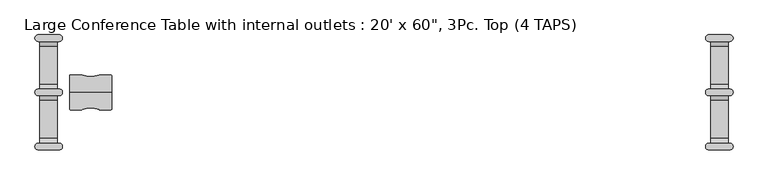
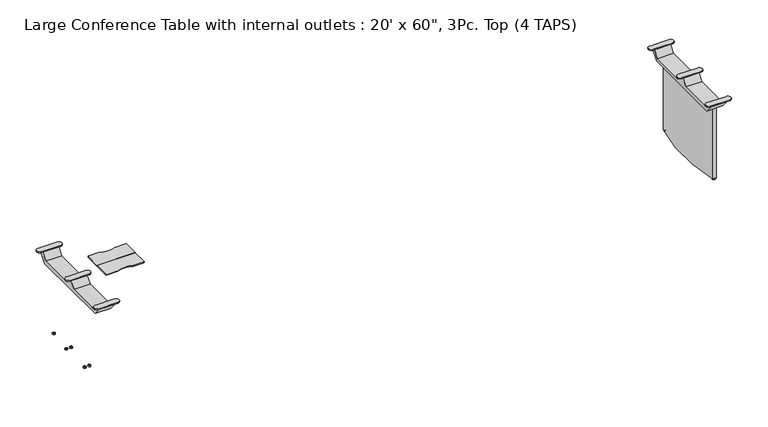
"""IFC4 building model written with IfcOpenShell, lengths in millimetres: furniture geometry."""

from ifc_helpers import new_model, si_unit, point, frame, frame_2d, origin, place, context, project, spatial, polyline, circle_curve, trimmed, segment, composite_curve, outline, extrude, source, transform, mapped, element, save
from ifc_brep_helpers import plane_surface, cylinder_surface, advanced_brep


def furniture_ed6dbdb6(model_context):
    return source(origin(), model_context, "Body", "SolidModel", [
        extrude(outline(composite_curve([segment(polyline([(-2286.0, 1.5875), (-2286.0, 120.65)]), True, "CONTINUOUS"), segment(trimmed(circle_curve(frame_2d((-2279.65, 120.65)), 6.35), [point((-2286.0, 120.65))], [point((-2279.65, 127.0))], False, "CARTESIAN"), True, "CONTINUOUS"), segment(polyline([(-2279.65, 127.0), (-2198.3575478, 127.0)]), True, "CONTINUOUS"), segment(trimmed(circle_curve(frame_2d((-2198.3575478, 120.65)), 6.35), [point((-2198.3575478, 127.0))], [point((-2195.9591201, 126.5296296))], False, "CARTESIAN"), True, "CONTINUOUS"), segment(trimmed(circle_curve(frame_2d((-2133.6, 279.4)), 165.1), [point((-2195.9591201, 126.5296296))], [point((-2071.2408799, 126.5296296))], True, "CARTESIAN"), True, "CONTINUOUS"), segment(trimmed(circle_curve(frame_2d((-2068.8424522, 120.65)), 6.35), [point((-2071.2408799, 126.5296296))], [point((-2068.8424522, 127.0))], False, "CARTESIAN"), True, "CONTINUOUS"), segment(polyline([(-2068.8424522, 127.0), (-1987.55, 127.0)]), True, "CONTINUOUS"), segment(trimmed(circle_curve(frame_2d((-1987.55, 120.65)), 6.35), [point((-1987.55, 127.0))], [point((-1981.2, 120.65))], False, "CARTESIAN"), True, "CONTINUOUS"), segment(polyline([(-1981.2, 120.65), (-1981.2, 1.5875), (-2286.0, 1.5875)]), True, "CONTINUOUS")], self_intersect=False)), frame((0.0, 0.0, 717.55), z_axis=(0.0, 0.0, 1.0), x_axis=(1.0, 0.0, 0.0)), (0.0, 0.0, 1.0), 6.35),
        extrude(outline(composite_curve([segment(polyline([(-2198.3575478, -127.0), (-2279.65, -127.0)]), True, "CONTINUOUS"), segment(trimmed(circle_curve(frame_2d((-2279.65, -120.65)), 6.35), [point((-2279.65, -127.0))], [point((-2286.0, -120.65))], False, "CARTESIAN"), True, "CONTINUOUS"), segment(polyline([(-2286.0, -120.65), (-2286.0, -1.5875), (-1981.2, -1.5875), (-1981.2, -120.65)]), True, "CONTINUOUS"), segment(trimmed(circle_curve(frame_2d((-1987.55, -120.65)), 6.35), [point((-1981.2, -120.65))], [point((-1987.55, -127.0))], False, "CARTESIAN"), True, "CONTINUOUS"), segment(polyline([(-1987.55, -127.0), (-2068.8424522, -127.0)]), True, "CONTINUOUS"), segment(trimmed(circle_curve(frame_2d((-2068.8424522, -120.65)), 6.35), [point((-2068.8424522, -127.0))], [point((-2071.2408799, -126.5296296))], False, "CARTESIAN"), True, "CONTINUOUS"), segment(trimmed(circle_curve(frame_2d((-2133.6, -279.4)), 165.1), [point((-2071.2408799, -126.5296296))], [point((-2195.9591201, -126.5296296))], True, "CARTESIAN"), True, "CONTINUOUS"), segment(trimmed(circle_curve(frame_2d((-2198.3575478, -120.65)), 6.35), [point((-2195.9591201, -126.5296296))], [point((-2198.3575478, -127.0))], False, "CARTESIAN"), True, "CONTINUOUS")], self_intersect=False)), frame((0.0, 0.0, 717.55), z_axis=(0.0, 0.0, 1.0), x_axis=(1.0, 0.0, 0.0)), (0.0, 0.0, 1.0), 6.35),
        advanced_brep(
        [(2501.8999939, 377.4971366, 685.8), (2501.8999939, 334.1229042, 632.231419), (2501.8999939, 58.0644064, 632.231419), (2501.8999939, 14.690174, 685.8), (2501.8999939, -14.690174, 685.8), (2501.8999939, -58.0644064, 632.231419), (2501.8999939, -334.1229042, 632.231419), (2501.8999939, -377.4971366, 685.8), (2501.8999939, -413.041021, 685.8), (2501.8999939, -346.0750202, 603.6564), (2501.8999939, 346.0750202, 603.6564), (2501.8999939, 413.041021, 685.8), (2374.9000061, 413.041021, 685.8), (2374.9000061, 346.0750202, 603.6564), (2374.9000061, -346.0750202, 603.6564), (2374.9000061, -413.041021, 685.8), (2374.9000061, -377.4971366, 685.8), (2374.9000061, -334.1229042, 632.231419), (2374.9000061, -58.0644064, 632.231419), (2374.9000061, -14.690174, 685.8), (2374.9000061, 14.690174, 685.8), (2374.9000061, 58.0644064, 632.231419), (2374.9000061, 334.1229042, 632.231419), (2374.9000061, 377.4971366, 685.8), (2362.2000061, 371.1471366, 692.15), (2514.5999939, 371.1471366, 692.15), (2514.5999939, 419.391021, 692.15), (2362.2000061, 419.391021, 692.15), (2362.2000061, 371.1471366, 685.8), (2362.2000061, 419.391021, 685.8), (2514.5999939, 419.391021, 685.8), (2514.5999939, 371.1471366, 685.8), (2362.2000061, 24.1219422, 692.15), (2362.2000061, -24.1219422, 692.15), (2514.5999939, -24.1219422, 692.15), (2514.5999939, 24.1219422, 692.15), (2362.2000061, 24.1219422, 685.8), (2514.5999939, 24.1219422, 685.8), (2514.5999939, -24.1219422, 685.8), (2362.2000061, -24.1219422, 685.8), (2362.2000061, -371.1471366, 692.15), (2362.2000061, -419.391021, 692.15), (2514.5999939, -419.391021, 692.15), (2514.5999939, -371.1471366, 692.15), (2362.2000061, -371.1471366, 685.8), (2514.5999939, -371.1471366, 685.8), (2514.5999939, -419.391021, 685.8), (2362.2000061, -419.391021, 685.8)],
        [
            (0, 1),
            (1, 2),
            (2, 3),
            (3, 4),
            (4, 5),
            (5, 6),
            (6, 7),
            (7, 8),
            (8, 9),
            (9, 10),
            (10, 11),
            (11, 0),
            (12, 13),
            (13, 14),
            (14, 15),
            (15, 16),
            (16, 17),
            (17, 18),
            (18, 19),
            (19, 20),
            (20, 21),
            (21, 22),
            (22, 23),
            (23, 12),
            (0, 23),
            (22, 1),
            (21, 2),
            (20, 3),
            (4, 19),
            (18, 5),
            (17, 6),
            (16, 7),
            (8, 15),
            (14, 9),
            (13, 10),
            (12, 11),
            (24, 25),
            (25, 26, circle_curve(frame((2514.5999939, 395.2690788, 692.15), z_axis=(0.0, 0.0, 1.0), x_axis=(1.0, 0.0, 0.0)), 24.1219422)),
            (26, 27),
            (27, 24, circle_curve(frame((2362.2000061, 395.2690788, 692.15), z_axis=(0.0, 0.0, 1.0), x_axis=(1.0, 0.0, 0.0)), 24.1219422)),
            (28, 29, circle_curve(frame((2362.2000061, 395.2690788, 685.8), z_axis=(0.0, 0.0, -1.0), x_axis=(1.0, 0.0, 0.0)), 24.1219422)),
            (29, 30),
            (30, 31, circle_curve(frame((2514.5999939, 395.2690788, 685.8), z_axis=(0.0, 0.0, -1.0), x_axis=(1.0, 0.0, 0.0)), 24.1219422)),
            (31, 28),
            (24, 28),
            (31, 25),
            (30, 26),
            (29, 27),
            (32, 33, circle_curve(frame((2362.2000061, 0.0, 692.15), z_axis=(0.0, 0.0, 1.0), x_axis=(1.0, 0.0, 0.0)), 24.1219422)),
            (33, 34),
            (34, 35, circle_curve(frame((2514.5999939, 0.0, 692.15), z_axis=(0.0, 0.0, 1.0), x_axis=(1.0, 0.0, 0.0)), 24.1219422)),
            (35, 32),
            (36, 37),
            (37, 38, circle_curve(frame((2514.5999939, 0.0, 685.8), z_axis=(0.0, 0.0, -1.0), x_axis=(1.0, 0.0, 0.0)), 24.1219422)),
            (38, 39),
            (39, 36, circle_curve(frame((2362.2000061, 0.0, 685.8), z_axis=(0.0, 0.0, -1.0), x_axis=(1.0, 0.0, 0.0)), 24.1219422)),
            (32, 36),
            (39, 33),
            (38, 34),
            (37, 35),
            (40, 41, circle_curve(frame((2362.2000061, -395.2690788, 692.15), z_axis=(0.0, 0.0, 1.0), x_axis=(1.0, 0.0, 0.0)), 24.1219422)),
            (41, 42),
            (42, 43, circle_curve(frame((2514.5999939, -395.2690788, 692.15), z_axis=(0.0, 0.0, 1.0), x_axis=(1.0, 0.0, 0.0)), 24.1219422)),
            (43, 40),
            (44, 45),
            (45, 46, circle_curve(frame((2514.5999939, -395.2690788, 685.8), z_axis=(0.0, 0.0, -1.0), x_axis=(1.0, 0.0, 0.0)), 24.1219422)),
            (46, 47),
            (47, 44, circle_curve(frame((2362.2000061, -395.2690788, 685.8), z_axis=(0.0, 0.0, -1.0), x_axis=(1.0, 0.0, 0.0)), 24.1219422)),
            (40, 44),
            (47, 41),
            (46, 42),
            (45, 43),
        ],
        [
            plane_surface(frame((2501.8999939, 413.041021, 685.8), z_axis=(1.0, 0.0, 0.0), x_axis=(0.0, -1.0, 0.0))),
            plane_surface(frame((2374.9000061, 413.041021, 685.8), z_axis=(-1.0, 0.0, 0.0), x_axis=(0.0, 1.0, 0.0))),
            plane_surface(frame((2501.8999939, 377.4971366, 685.8), z_axis=(0.0, -0.7771796582418651, 0.6292787767079531), x_axis=(-1.0, 0.0, 0.0))),
            plane_surface(frame((2501.8999939, 334.1229042, 632.231419), z_axis=(0.0, 0.0, 1.0), x_axis=(-1.0, 0.0, 0.0))),
            plane_surface(frame((2501.8999939, 58.0644064, 632.231419), z_axis=(0.0, 0.7771796582418641, 0.6292787767079544), x_axis=(-1.0, 0.0, 0.0))),
            plane_surface(frame((2501.8999939, -14.690174, 685.8), z_axis=(0.0, -0.7771796582418647, 0.6292787767079535), x_axis=(-1.0, 0.0, 0.0))),
            plane_surface(frame((2501.8999939, -58.0644064, 632.231419), z_axis=(0.0, 0.0, 1.0), x_axis=(-1.0, 0.0, 0.0))),
            plane_surface(frame((2501.8999939, -334.1229042, 632.231419), z_axis=(0.0, 0.7771796582418651, 0.6292787767079531), x_axis=(-1.0, 0.0, 0.0))),
            plane_surface(frame((2501.8999939, -413.041021, 685.8), z_axis=(0.0, -0.7750770363464348, -0.6318667483959157), x_axis=(-1.0, 0.0, 0.0))),
            plane_surface(frame((2501.8999939, -346.0750202, 603.6564), z_axis=(0.0, 0.0, -1.0), x_axis=(-1.0, 0.0, 0.0))),
            plane_surface(frame((2501.8999939, 346.0750202, 603.6564), z_axis=(0.0, 0.7750770363464435, -0.631866748395905), x_axis=(-1.0, 0.0, 0.0))),
            plane_surface(frame((2496.1020398, 371.1471366, 692.15), z_axis=(0.0, 0.0, 1.0), x_axis=(1.0, 0.0, 0.0))),
            plane_surface(frame((2496.1020398, 371.1471366, 685.8), z_axis=(0.0, 0.0, -1.0), x_axis=(-1.0, 0.0, 0.0))),
            plane_surface(frame((2362.2000061, 371.1471366, 692.15), z_axis=(0.0, -1.0, 0.0), x_axis=(0.0, 0.0, -1.0))),
            cylinder_surface(frame((2514.5999939, 395.2690788, 685.8), z_axis=(0.0, 0.0, 1.0), x_axis=(1.0, 0.0, 0.0)), 24.1219422),
            plane_surface(frame((2514.5999939, 419.391021, 692.15), z_axis=(0.0, 1.0, 0.0), x_axis=(0.0, 0.0, -1.0))),
            cylinder_surface(frame((2362.2000061, 395.2690788, 685.8), z_axis=(0.0, 0.0, 1.0), x_axis=(1.0, 0.0, 0.0)), 24.1219422),
            plane_surface(frame((2386.3219483, 0.0, 692.15), z_axis=(0.0, 0.0, 1.0), x_axis=(0.0, 1.0, 0.0))),
            plane_surface(frame((2386.3219483, 0.0, 685.8), z_axis=(0.0, 0.0, -1.0), x_axis=(0.0, -1.0, 0.0))),
            cylinder_surface(frame((2362.2000061, 0.0, 685.8), z_axis=(0.0, 0.0, 1.0), x_axis=(1.0, 0.0, 0.0)), 24.1219422),
            plane_surface(frame((2362.2000061, -24.1219422, 692.15), z_axis=(0.0, -1.0, 0.0), x_axis=(0.0, 0.0, -1.0))),
            cylinder_surface(frame((2514.5999939, 0.0, 685.8), z_axis=(0.0, 0.0, 1.0), x_axis=(1.0, 0.0, 0.0)), 24.1219422),
            plane_surface(frame((2514.5999939, 24.1219422, 692.15), z_axis=(0.0, 1.0, 0.0), x_axis=(0.0, 0.0, -1.0))),
            plane_surface(frame((2386.3219483, -395.2690788, 692.15), z_axis=(0.0, 0.0, 1.0), x_axis=(0.0, 1.0, 0.0))),
            plane_surface(frame((2386.3219483, -395.2690788, 685.8), z_axis=(0.0, 0.0, -1.0), x_axis=(0.0, -1.0, 0.0))),
            cylinder_surface(frame((2362.2000061, -395.2690788, 685.8), z_axis=(0.0, 0.0, 1.0), x_axis=(1.0, 0.0, 0.0)), 24.1219422),
            plane_surface(frame((2362.2000061, -419.391021, 692.15), z_axis=(0.0, -1.0, 0.0), x_axis=(0.0, 0.0, -1.0))),
            cylinder_surface(frame((2514.5999939, -395.2690788, 685.8), z_axis=(0.0, 0.0, 1.0), x_axis=(1.0, 0.0, 0.0)), 24.1219422),
            plane_surface(frame((2514.5999939, -371.1471366, 692.15), z_axis=(0.0, 1.0, 0.0), x_axis=(0.0, 0.0, -1.0))),
        ],
        [
            (0, [[1, 2, 3, 4, 5, 6, 7, 8, 9, 10, 11, 12]]),
            (1, [[13, 14, 15, 16, 17, 18, 19, 20, 21, 22, 23, 24]]),
            (2, [[-1, 25, -23, 26]]),
            (3, [[-2, -26, -22, 27]]),
            (4, [[-3, -27, -21, 28]]),
            (5, [[-5, 29, -19, 30]]),
            (6, [[-6, -30, -18, 31]]),
            (7, [[-7, -31, -17, 32]]),
            (8, [[-9, 33, -15, 34]]),
            (9, [[-10, -34, -14, 35]]),
            (10, [[-11, -35, -13, 36]]),
            (11, [[37, 38, 39, 40]]),
            (12, [[41, 42, 43, 44], [-12, -36, -24, -25]]),
            (13, [[-37, 45, -44, 46]]),
            (14, [[-38, -46, -43, 47]]),
            (15, [[-39, -47, -42, 48]]),
            (16, [[-40, -48, -41, -45]]),
            (17, [[49, 50, 51, 52]]),
            (18, [[53, 54, 55, 56], [-4, -28, -20, -29]]),
            (19, [[-49, 57, -56, 58]]),
            (20, [[-50, -58, -55, 59]]),
            (21, [[-51, -59, -54, 60]]),
            (22, [[-52, -60, -53, -57]]),
            (23, [[61, 62, 63, 64]]),
            (24, [[65, 66, 67, 68], [-8, -32, -16, -33]]),
            (25, [[-61, 69, -68, 70]]),
            (26, [[-62, -70, -67, 71]]),
            (27, [[-63, -71, -66, 72]]),
            (28, [[-64, -72, -65, -69]]),
        ],
    ),
        advanced_brep(
        [(2419.35, -127.0, 0.0), (2419.35, -137.31875, 0.0), (2419.35, -116.68125, 0.0), (2419.35, -123.03125, 9.525), (2419.35, -130.96875, 9.525), (2419.35, -127.0, 9.525), (2419.35, -123.03125, 6.35), (2419.35, -130.96875, 6.35), (2419.35, -116.68125, 6.35), (2419.35, -137.31875, 6.35)],
        [
            (0, 1),
            (1, 2, circle_curve(frame((2419.35, -127.0, 0.0), z_axis=(0.0, 0.0, -1.0), x_axis=(0.0, -1.0, 0.0)), 10.31875)),
            (2, 0),
            (2, 1, circle_curve(frame((2419.35, -127.0, 0.0), z_axis=(0.0, 0.0, -1.0), x_axis=(0.0, -1.0, 0.0)), 10.31875)),
            (3, 4, circle_curve(frame((2419.35, -127.0, 9.525), z_axis=(0.0, 0.0, 1.0), x_axis=(0.0, -1.0, 0.0)), 3.96875)),
            (4, 5),
            (5, 3),
            (4, 3, circle_curve(frame((2419.35, -127.0, 9.525), z_axis=(0.0, 0.0, 1.0), x_axis=(0.0, -1.0, 0.0)), 3.96875)),
            (6, 7, circle_curve(frame((2419.35, -127.0, 6.35), z_axis=(0.0, 0.0, 1.0), x_axis=(0.0, -1.0, 0.0)), 3.96875)),
            (7, 4),
            (3, 6),
            (7, 6, circle_curve(frame((2419.35, -127.0, 6.35), z_axis=(0.0, 0.0, 1.0), x_axis=(0.0, -1.0, 0.0)), 3.96875)),
            (8, 9, circle_curve(frame((2419.35, -127.0, 6.35), z_axis=(0.0, 0.0, 1.0), x_axis=(0.0, -1.0, 0.0)), 10.31875)),
            (9, 7),
            (6, 8),
            (9, 8, circle_curve(frame((2419.35, -127.0, 6.35), z_axis=(0.0, 0.0, 1.0), x_axis=(0.0, -1.0, 0.0)), 10.31875)),
            (1, 9),
            (8, 2),
        ],
        [
            plane_surface(frame((2419.35, -127.0, 0.0), z_axis=(0.0, 0.0, -1.0), x_axis=(0.0, -1.0, 0.0))),
            plane_surface(frame((2419.35, -127.0, 9.525), z_axis=(0.0, 0.0, 1.0), x_axis=(0.0, -1.0, 0.0))),
            cylinder_surface(frame((2419.35, -127.0, 2435.225), z_axis=(0.0, 0.0, -1.0), x_axis=(0.0, -1.0, 0.0)), 3.96875),
            plane_surface(frame((2419.35, -127.0, 6.35), z_axis=(0.0, 0.0, 1.0), x_axis=(0.0, -1.0, 0.0))),
            cylinder_surface(frame((2419.35, -127.0, 2435.225), z_axis=(0.0, 0.0, -1.0), x_axis=(0.0, -1.0, 0.0)), 10.31875),
        ],
        [
            (0, [[1, 2, 3]]),
            (0, [[-3, 4, -1]]),
            (1, [[5, 6, 7]]),
            (1, [[8, -7, -6]]),
            (2, [[9, 10, -5, 11]]),
            (2, [[12, -11, -8, -10]]),
            (3, [[13, 14, -9, 15]]),
            (3, [[16, -15, -12, -14]]),
            (4, [[-2, 17, -13, 18]]),
            (4, [[-4, -18, -16, -17]]),
        ],
    ),
        advanced_brep(
        [(2419.35, 127.0, 0.0), (2419.35, 116.68125, 0.0), (2419.35, 137.31875, 0.0), (2419.35, 130.96875, 9.525), (2419.35, 123.03125, 9.525), (2419.35, 127.0, 9.525), (2419.35, 130.96875, 6.35), (2419.35, 123.03125, 6.35), (2419.35, 137.31875, 6.35), (2419.35, 116.68125, 6.35)],
        [
            (0, 1),
            (1, 2, circle_curve(frame((2419.35, 127.0, 0.0), z_axis=(0.0, 0.0, -1.0), x_axis=(0.0, -1.0, 0.0)), 10.31875)),
            (2, 0),
            (2, 1, circle_curve(frame((2419.35, 127.0, 0.0), z_axis=(0.0, 0.0, -1.0), x_axis=(0.0, -1.0, 0.0)), 10.31875)),
            (3, 4, circle_curve(frame((2419.35, 127.0, 9.525), z_axis=(0.0, 0.0, 1.0), x_axis=(0.0, -1.0, 0.0)), 3.96875)),
            (4, 5),
            (5, 3),
            (4, 3, circle_curve(frame((2419.35, 127.0, 9.525), z_axis=(0.0, 0.0, 1.0), x_axis=(0.0, -1.0, 0.0)), 3.96875)),
            (6, 7, circle_curve(frame((2419.35, 127.0, 6.35), z_axis=(0.0, 0.0, 1.0), x_axis=(0.0, -1.0, 0.0)), 3.96875)),
            (7, 4),
            (3, 6),
            (7, 6, circle_curve(frame((2419.35, 127.0, 6.35), z_axis=(0.0, 0.0, 1.0), x_axis=(0.0, -1.0, 0.0)), 3.96875)),
            (8, 9, circle_curve(frame((2419.35, 127.0, 6.35), z_axis=(0.0, 0.0, 1.0), x_axis=(0.0, -1.0, 0.0)), 10.31875)),
            (9, 7),
            (6, 8),
            (9, 8, circle_curve(frame((2419.35, 127.0, 6.35), z_axis=(0.0, 0.0, 1.0), x_axis=(0.0, -1.0, 0.0)), 10.31875)),
            (1, 9),
            (8, 2),
        ],
        [
            plane_surface(frame((2419.35, 127.0, 0.0), z_axis=(0.0, 0.0, -1.0), x_axis=(0.0, -1.0, 0.0))),
            plane_surface(frame((2419.35, 127.0, 9.525), z_axis=(0.0, 0.0, 1.0), x_axis=(0.0, -1.0, 0.0))),
            cylinder_surface(frame((2419.35, 127.0, 2435.225), z_axis=(0.0, 0.0, -1.0), x_axis=(0.0, -1.0, 0.0)), 3.96875),
            plane_surface(frame((2419.35, 127.0, 6.35), z_axis=(0.0, 0.0, 1.0), x_axis=(0.0, -1.0, 0.0))),
            cylinder_surface(frame((2419.35, 127.0, 2435.225), z_axis=(0.0, 0.0, -1.0), x_axis=(0.0, -1.0, 0.0)), 10.31875),
        ],
        [
            (0, [[1, 2, 3]]),
            (0, [[-3, 4, -1]]),
            (1, [[5, 6, 7]]),
            (1, [[8, -7, -6]]),
            (2, [[9, 10, -5, 11]]),
            (2, [[12, -11, -8, -10]]),
            (3, [[13, 14, -9, 15]]),
            (3, [[16, -15, -12, -14]]),
            (4, [[-2, 17, -13, 18]]),
            (4, [[-4, -18, -16, -17]]),
        ],
    ),
        advanced_brep(
        [(2457.45, -116.68125, 6.35), (2457.45, -137.31875, 6.35), (2457.45, -137.31875, 0.0), (2457.45, -116.68125, 0.0), (2457.45, -123.03125, 6.35), (2457.45, -130.96875, 6.35), (2457.45, -123.03125, 9.525), (2457.45, -130.96875, 9.525), (2457.45, -127.0, 9.525), (2457.45, -127.0, 0.0)],
        [
            (0, 1, circle_curve(frame((2457.45, -127.0, 6.35), z_axis=(0.0, 0.0, -1.0), x_axis=(0.0, -1.0, 0.0)), 10.31875)),
            (1, 2),
            (2, 3, circle_curve(frame((2457.45, -127.0, 0.0), z_axis=(0.0, 0.0, 1.0), x_axis=(0.0, -1.0, 0.0)), 10.31875)),
            (3, 0),
            (1, 0, circle_curve(frame((2457.45, -127.0, 6.35), z_axis=(0.0, 0.0, -1.0), x_axis=(0.0, -1.0, 0.0)), 10.31875)),
            (3, 2, circle_curve(frame((2457.45, -127.0, 0.0), z_axis=(0.0, 0.0, 1.0), x_axis=(0.0, -1.0, 0.0)), 10.31875)),
            (4, 5, circle_curve(frame((2457.45, -127.0, 6.35), z_axis=(0.0, 0.0, -1.0), x_axis=(0.0, -1.0, 0.0)), 3.96875)),
            (5, 1),
            (0, 4),
            (5, 4, circle_curve(frame((2457.45, -127.0, 6.35), z_axis=(0.0, 0.0, -1.0), x_axis=(0.0, -1.0, 0.0)), 3.96875)),
            (6, 7, circle_curve(frame((2457.45, -127.0, 9.525), z_axis=(0.0, 0.0, -1.0), x_axis=(0.0, -1.0, 0.0)), 3.96875)),
            (7, 5),
            (4, 6),
            (7, 6, circle_curve(frame((2457.45, -127.0, 9.525), z_axis=(0.0, 0.0, -1.0), x_axis=(0.0, -1.0, 0.0)), 3.96875)),
            (8, 7),
            (6, 8),
            (2, 9),
            (9, 3),
        ],
        [
            cylinder_surface(frame((2457.45, -127.0, 2435.225), z_axis=(0.0, 0.0, 1.0), x_axis=(0.0, -1.0, 0.0)), 10.31875),
            plane_surface(frame((2457.45, -127.0, 6.35), z_axis=(0.0, 0.0, 1.0), x_axis=(0.0, -1.0, 0.0))),
            cylinder_surface(frame((2457.45, -127.0, 2435.225), z_axis=(0.0, 0.0, 1.0), x_axis=(0.0, -1.0, 0.0)), 3.96875),
            plane_surface(frame((2457.45, -127.0, 9.525), z_axis=(0.0, 0.0, 1.0), x_axis=(0.0, -1.0, 0.0))),
            plane_surface(frame((2457.45, -127.0, 0.0), z_axis=(0.0, 0.0, -1.0), x_axis=(0.0, -1.0, 0.0))),
        ],
        [
            (0, [[1, 2, 3, 4]]),
            (0, [[5, -4, 6, -2]]),
            (1, [[7, 8, -1, 9]]),
            (1, [[10, -9, -5, -8]]),
            (2, [[11, 12, -7, 13]]),
            (2, [[14, -13, -10, -12]]),
            (3, [[15, -11, 16]]),
            (3, [[-16, -14, -15]]),
            (4, [[-3, 17, 18]]),
            (4, [[-6, -18, -17]]),
        ],
    ),
        advanced_brep(
        [(2457.45, 137.31875, 6.35), (2457.45, 116.68125, 6.35), (2457.45, 116.68125, 0.0), (2457.45, 137.31875, 0.0), (2457.45, 130.96875, 6.35), (2457.45, 123.03125, 6.35), (2457.45, 130.96875, 9.525), (2457.45, 123.03125, 9.525), (2457.45, 127.0, 9.525), (2457.45, 127.0, 0.0)],
        [
            (0, 1, circle_curve(frame((2457.45, 127.0, 6.35), z_axis=(0.0, 0.0, -1.0), x_axis=(0.0, -1.0, 0.0)), 10.31875)),
            (1, 2),
            (2, 3, circle_curve(frame((2457.45, 127.0, 0.0), z_axis=(0.0, 0.0, 1.0), x_axis=(0.0, -1.0, 0.0)), 10.31875)),
            (3, 0),
            (1, 0, circle_curve(frame((2457.45, 127.0, 6.35), z_axis=(0.0, 0.0, -1.0), x_axis=(0.0, -1.0, 0.0)), 10.31875)),
            (3, 2, circle_curve(frame((2457.45, 127.0, 0.0), z_axis=(0.0, 0.0, 1.0), x_axis=(0.0, -1.0, 0.0)), 10.31875)),
            (4, 5, circle_curve(frame((2457.45, 127.0, 6.35), z_axis=(0.0, 0.0, -1.0), x_axis=(0.0, -1.0, 0.0)), 3.96875)),
            (5, 1),
            (0, 4),
            (5, 4, circle_curve(frame((2457.45, 127.0, 6.35), z_axis=(0.0, 0.0, -1.0), x_axis=(0.0, -1.0, 0.0)), 3.96875)),
            (6, 7, circle_curve(frame((2457.45, 127.0, 9.525), z_axis=(0.0, 0.0, -1.0), x_axis=(0.0, -1.0, 0.0)), 3.96875)),
            (7, 5),
            (4, 6),
            (7, 6, circle_curve(frame((2457.45, 127.0, 9.525), z_axis=(0.0, 0.0, -1.0), x_axis=(0.0, -1.0, 0.0)), 3.96875)),
            (8, 7),
            (6, 8),
            (2, 9),
            (9, 3),
        ],
        [
            cylinder_surface(frame((2457.45, 127.0, 2435.225), z_axis=(0.0, 0.0, 1.0), x_axis=(0.0, -1.0, 0.0)), 10.31875),
            plane_surface(frame((2457.45, 127.0, 6.35), z_axis=(0.0, 0.0, 1.0), x_axis=(0.0, -1.0, 0.0))),
            cylinder_surface(frame((2457.45, 127.0, 2435.225), z_axis=(0.0, 0.0, 1.0), x_axis=(0.0, -1.0, 0.0)), 3.96875),
            plane_surface(frame((2457.45, 127.0, 9.525), z_axis=(0.0, 0.0, 1.0), x_axis=(0.0, -1.0, 0.0))),
            plane_surface(frame((2457.45, 127.0, 0.0), z_axis=(0.0, 0.0, -1.0), x_axis=(0.0, -1.0, 0.0))),
        ],
        [
            (0, [[1, 2, 3, 4]]),
            (0, [[5, -4, 6, -2]]),
            (1, [[7, 8, -1, 9]]),
            (1, [[10, -9, -5, -8]]),
            (2, [[11, 12, -7, 13]]),
            (2, [[14, -13, -10, -12]]),
            (3, [[15, -11, 16]]),
            (3, [[-16, -14, -15]]),
            (4, [[-3, 17, 18]]),
            (4, [[-6, -18, -17]]),
        ],
    ),
        advanced_brep(
        [(2438.4, 330.2, 0.0), (2438.4, 319.88125, 0.0), (2438.4, 340.51875, 0.0), (2438.4, 334.16875, 9.525), (2438.4, 326.23125, 9.525), (2438.4, 330.2, 9.525), (2438.4, 334.16875, 6.35), (2438.4, 326.23125, 6.35), (2438.4, 340.51875, 6.35), (2438.4, 319.88125, 6.35)],
        [
            (0, 1),
            (1, 2, circle_curve(frame((2438.4, 330.2, 0.0), z_axis=(0.0, 0.0, -1.0), x_axis=(0.0, -1.0, 0.0)), 10.31875)),
            (2, 0),
            (2, 1, circle_curve(frame((2438.4, 330.2, 0.0), z_axis=(0.0, 0.0, -1.0), x_axis=(0.0, -1.0, 0.0)), 10.31875)),
            (3, 4, circle_curve(frame((2438.4, 330.2, 9.525), z_axis=(0.0, 0.0, 1.0), x_axis=(0.0, -1.0, 0.0)), 3.96875)),
            (4, 5),
            (5, 3),
            (4, 3, circle_curve(frame((2438.4, 330.2, 9.525), z_axis=(0.0, 0.0, 1.0), x_axis=(0.0, -1.0, 0.0)), 3.96875)),
            (6, 7, circle_curve(frame((2438.4, 330.2, 6.35), z_axis=(0.0, 0.0, 1.0), x_axis=(0.0, -1.0, 0.0)), 3.96875)),
            (7, 4),
            (3, 6),
            (7, 6, circle_curve(frame((2438.4, 330.2, 6.35), z_axis=(0.0, 0.0, 1.0), x_axis=(0.0, -1.0, 0.0)), 3.96875)),
            (8, 9, circle_curve(frame((2438.4, 330.2, 6.35), z_axis=(0.0, 0.0, 1.0), x_axis=(0.0, -1.0, 0.0)), 10.31875)),
            (9, 7),
            (6, 8),
            (9, 8, circle_curve(frame((2438.4, 330.2, 6.35), z_axis=(0.0, 0.0, 1.0), x_axis=(0.0, -1.0, 0.0)), 10.31875)),
            (1, 9),
            (8, 2),
        ],
        [
            plane_surface(frame((2438.4, 330.2, 0.0), z_axis=(0.0, 0.0, -1.0), x_axis=(0.0, -1.0, 0.0))),
            plane_surface(frame((2438.4, 330.2, 9.525), z_axis=(0.0, 0.0, 1.0), x_axis=(0.0, -1.0, 0.0))),
            cylinder_surface(frame((2438.4, 330.2, 2435.225), z_axis=(0.0, 0.0, -1.0), x_axis=(0.0, -1.0, 0.0)), 3.96875),
            plane_surface(frame((2438.4, 330.2, 6.35), z_axis=(0.0, 0.0, 1.0), x_axis=(0.0, -1.0, 0.0))),
            cylinder_surface(frame((2438.4, 330.2, 2435.225), z_axis=(0.0, 0.0, -1.0), x_axis=(0.0, -1.0, 0.0)), 10.31875),
        ],
        [
            (0, [[1, 2, 3]]),
            (0, [[-3, 4, -1]]),
            (1, [[5, 6, 7]]),
            (1, [[8, -7, -6]]),
            (2, [[9, 10, -5, 11]]),
            (2, [[12, -11, -8, -10]]),
            (3, [[13, 14, -9, 15]]),
            (3, [[16, -15, -12, -14]]),
            (4, [[-2, 17, -13, 18]]),
            (4, [[-4, -18, -16, -17]]),
        ],
    ),
        advanced_brep(
        [(2438.4, -330.2, 0.0), (2438.4, -340.51875, 0.0), (2438.4, -319.88125, 0.0), (2438.4, -326.23125, 9.525), (2438.4, -334.16875, 9.525), (2438.4, -330.2, 9.525), (2438.4, -326.23125, 6.35), (2438.4, -334.16875, 6.35), (2438.4, -319.88125, 6.35), (2438.4, -340.51875, 6.35)],
        [
            (0, 1),
            (1, 2, circle_curve(frame((2438.4, -330.2, 0.0), z_axis=(0.0, 0.0, -1.0), x_axis=(0.0, -1.0, 0.0)), 10.31875)),
            (2, 0),
            (2, 1, circle_curve(frame((2438.4, -330.2, 0.0), z_axis=(0.0, 0.0, -1.0), x_axis=(0.0, -1.0, 0.0)), 10.31875)),
            (3, 4, circle_curve(frame((2438.4, -330.2, 9.525), z_axis=(0.0, 0.0, 1.0), x_axis=(0.0, -1.0, 0.0)), 3.96875)),
            (4, 5),
            (5, 3),
            (4, 3, circle_curve(frame((2438.4, -330.2, 9.525), z_axis=(0.0, 0.0, 1.0), x_axis=(0.0, -1.0, 0.0)), 3.96875)),
            (6, 7, circle_curve(frame((2438.4, -330.2, 6.35), z_axis=(0.0, 0.0, 1.0), x_axis=(0.0, -1.0, 0.0)), 3.96875)),
            (7, 4),
            (3, 6),
            (7, 6, circle_curve(frame((2438.4, -330.2, 6.35), z_axis=(0.0, 0.0, 1.0), x_axis=(0.0, -1.0, 0.0)), 3.96875)),
            (8, 9, circle_curve(frame((2438.4, -330.2, 6.35), z_axis=(0.0, 0.0, 1.0), x_axis=(0.0, -1.0, 0.0)), 10.31875)),
            (9, 7),
            (6, 8),
            (9, 8, circle_curve(frame((2438.4, -330.2, 6.35), z_axis=(0.0, 0.0, 1.0), x_axis=(0.0, -1.0, 0.0)), 10.31875)),
            (1, 9),
            (8, 2),
        ],
        [
            plane_surface(frame((2438.4, -330.2, 0.0), z_axis=(0.0, 0.0, -1.0), x_axis=(0.0, -1.0, 0.0))),
            plane_surface(frame((2438.4, -330.2, 9.525), z_axis=(0.0, 0.0, 1.0), x_axis=(0.0, -1.0, 0.0))),
            cylinder_surface(frame((2438.4, -330.2, 2435.225), z_axis=(0.0, 0.0, -1.0), x_axis=(0.0, -1.0, 0.0)), 3.96875),
            plane_surface(frame((2438.4, -330.2, 6.35), z_axis=(0.0, 0.0, 1.0), x_axis=(0.0, -1.0, 0.0))),
            cylinder_surface(frame((2438.4, -330.2, 2435.225), z_axis=(0.0, 0.0, -1.0), x_axis=(0.0, -1.0, 0.0)), 10.31875),
        ],
        [
            (0, [[1, 2, 3]]),
            (0, [[-3, 4, -1]]),
            (1, [[5, 6, 7]]),
            (1, [[8, -7, -6]]),
            (2, [[9, 10, -5, 11]]),
            (2, [[12, -11, -8, -10]]),
            (3, [[13, 14, -9, 15]]),
            (3, [[16, -15, -12, -14]]),
            (4, [[-2, 17, -13, 18]]),
            (4, [[-4, -18, -16, -17]]),
        ],
    ),
        extrude(outline(composite_curve([segment(polyline([(2425.7000303, 342.9), (2451.0999697, 342.9)]), True, "CONTINUOUS"), segment(trimmed(circle_curve(frame_2d((927.1012112, 0.0)), 1562.0987888), [point((2451.0999697, 342.9))], [point((2451.0999697, -342.9))], False, "CARTESIAN"), True, "CONTINUOUS"), segment(polyline([(2451.0999697, -342.9), (2425.7000303, -342.9)]), True, "CONTINUOUS"), segment(trimmed(circle_curve(frame_2d((3949.6987888, 0.0)), 1562.0987888), [point((2425.7000303, -342.9))], [point((2425.7000303, 342.9))], False, "CARTESIAN"), True, "CONTINUOUS")], self_intersect=False)), frame((0.0, 0.0, 9.525), z_axis=(0.0, 0.0, 1.0), x_axis=(1.0, 0.0, 0.0)), (0.0, 0.0, 1.0), 594.1314),
        advanced_brep(
        [(-2374.9000061, 377.4971366, 685.8), (-2374.9000061, 334.1229042, 632.231419), (-2374.9000061, 58.0644064, 632.231419), (-2374.9000061, 14.690174, 685.8), (-2374.9000061, -14.690174, 685.8), (-2374.9000061, -58.0644064, 632.231419), (-2374.9000061, -334.1229042, 632.231419), (-2374.9000061, -377.4971366, 685.8), (-2374.9000061, -413.041021, 685.8), (-2374.9000061, -346.0750202, 603.6564), (-2374.9000061, 346.0750202, 603.6564), (-2374.9000061, 413.041021, 685.8), (-2501.8999939, 413.041021, 685.8), (-2501.8999939, 346.0750202, 603.6564), (-2501.8999939, -346.0750202, 603.6564), (-2501.8999939, -413.041021, 685.8), (-2501.8999939, -377.4971366, 685.8), (-2501.8999939, -334.1229042, 632.231419), (-2501.8999939, -58.0644064, 632.231419), (-2501.8999939, -14.690174, 685.8), (-2501.8999939, 14.690174, 685.8), (-2501.8999939, 58.0644064, 632.231419), (-2501.8999939, 334.1229042, 632.231419), (-2501.8999939, 377.4971366, 685.8), (-2514.5999939, 371.1471366, 692.15), (-2362.2000061, 371.1471366, 692.15), (-2362.2000061, 419.391021, 692.15), (-2514.5999939, 419.391021, 692.15), (-2514.5999939, 371.1471366, 685.8), (-2514.5999939, 419.391021, 685.8), (-2362.2000061, 419.391021, 685.8), (-2362.2000061, 371.1471366, 685.8), (-2514.5999939, 24.1219422, 692.15), (-2514.5999939, -24.1219422, 692.15), (-2362.2000061, -24.1219422, 692.15), (-2362.2000061, 24.1219422, 692.15), (-2514.5999939, 24.1219422, 685.8), (-2362.2000061, 24.1219422, 685.8), (-2362.2000061, -24.1219422, 685.8), (-2514.5999939, -24.1219422, 685.8), (-2514.5999939, -371.1471366, 692.15), (-2514.5999939, -419.391021, 692.15), (-2362.2000061, -419.391021, 692.15), (-2362.2000061, -371.1471366, 692.15), (-2514.5999939, -371.1471366, 685.8), (-2362.2000061, -371.1471366, 685.8), (-2362.2000061, -419.391021, 685.8), (-2514.5999939, -419.391021, 685.8)],
        [
            (0, 1),
            (1, 2),
            (2, 3),
            (3, 4),
            (4, 5),
            (5, 6),
            (6, 7),
            (7, 8),
            (8, 9),
            (9, 10),
            (10, 11),
            (11, 0),
            (12, 13),
            (13, 14),
            (14, 15),
            (15, 16),
            (16, 17),
            (17, 18),
            (18, 19),
            (19, 20),
            (20, 21),
            (21, 22),
            (22, 23),
            (23, 12),
            (0, 23),
            (22, 1),
            (21, 2),
            (20, 3),
            (4, 19),
            (18, 5),
            (17, 6),
            (16, 7),
            (8, 15),
            (14, 9),
            (13, 10),
            (12, 11),
            (24, 25),
            (25, 26, circle_curve(frame((-2362.2000061, 395.2690788, 692.15), z_axis=(0.0, 0.0, 1.0), x_axis=(1.0, 0.0, 0.0)), 24.1219422)),
            (26, 27),
            (27, 24, circle_curve(frame((-2514.5999939, 395.2690788, 692.15), z_axis=(0.0, 0.0, 1.0), x_axis=(1.0, 0.0, 0.0)), 24.1219422)),
            (28, 29, circle_curve(frame((-2514.5999939, 395.2690788, 685.8), z_axis=(0.0, 0.0, -1.0), x_axis=(1.0, 0.0, 0.0)), 24.1219422)),
            (29, 30),
            (30, 31, circle_curve(frame((-2362.2000061, 395.2690788, 685.8), z_axis=(0.0, 0.0, -1.0), x_axis=(1.0, 0.0, 0.0)), 24.1219422)),
            (31, 28),
            (24, 28),
            (31, 25),
            (30, 26),
            (29, 27),
            (32, 33, circle_curve(frame((-2514.5999939, 0.0, 692.15), z_axis=(0.0, 0.0, 1.0), x_axis=(1.0, 0.0, 0.0)), 24.1219422)),
            (33, 34),
            (34, 35, circle_curve(frame((-2362.2000061, 0.0, 692.15), z_axis=(0.0, 0.0, 1.0), x_axis=(1.0, 0.0, 0.0)), 24.1219422)),
            (35, 32),
            (36, 37),
            (37, 38, circle_curve(frame((-2362.2000061, 0.0, 685.8), z_axis=(0.0, 0.0, -1.0), x_axis=(1.0, 0.0, 0.0)), 24.1219422)),
            (38, 39),
            (39, 36, circle_curve(frame((-2514.5999939, 0.0, 685.8), z_axis=(0.0, 0.0, -1.0), x_axis=(1.0, 0.0, 0.0)), 24.1219422)),
            (32, 36),
            (39, 33),
            (38, 34),
            (37, 35),
            (40, 41, circle_curve(frame((-2514.5999939, -395.2690788, 692.15), z_axis=(0.0, 0.0, 1.0), x_axis=(1.0, 0.0, 0.0)), 24.1219422)),
            (41, 42),
            (42, 43, circle_curve(frame((-2362.2000061, -395.2690788, 692.15), z_axis=(0.0, 0.0, 1.0), x_axis=(1.0, 0.0, 0.0)), 24.1219422)),
            (43, 40),
            (44, 45),
            (45, 46, circle_curve(frame((-2362.2000061, -395.2690788, 685.8), z_axis=(0.0, 0.0, -1.0), x_axis=(1.0, 0.0, 0.0)), 24.1219422)),
            (46, 47),
            (47, 44, circle_curve(frame((-2514.5999939, -395.2690788, 685.8), z_axis=(0.0, 0.0, -1.0), x_axis=(1.0, 0.0, 0.0)), 24.1219422)),
            (40, 44),
            (47, 41),
            (46, 42),
            (45, 43),
        ],
        [
            plane_surface(frame((-2374.9000061, 413.041021, 685.8), z_axis=(1.0, 0.0, 0.0), x_axis=(0.0, -1.0, 0.0))),
            plane_surface(frame((-2501.8999939, 413.041021, 685.8), z_axis=(-1.0, 0.0, 0.0), x_axis=(0.0, 1.0, 0.0))),
            plane_surface(frame((-2374.9000061, 377.4971366, 685.8), z_axis=(0.0, -0.7771796582418651, 0.6292787767079531), x_axis=(-1.0, 0.0, 0.0))),
            plane_surface(frame((-2374.9000061, 334.1229042, 632.231419), z_axis=(0.0, 0.0, 1.0), x_axis=(-1.0, 0.0, 0.0))),
            plane_surface(frame((-2374.9000061, 58.0644064, 632.231419), z_axis=(0.0, 0.7771796582418641, 0.6292787767079544), x_axis=(-1.0, 0.0, 0.0))),
            plane_surface(frame((-2374.9000061, -14.690174, 685.8), z_axis=(0.0, -0.7771796582418647, 0.6292787767079535), x_axis=(-1.0, 0.0, 0.0))),
            plane_surface(frame((-2374.9000061, -58.0644064, 632.231419), z_axis=(0.0, 0.0, 1.0), x_axis=(-1.0, 0.0, 0.0))),
            plane_surface(frame((-2374.9000061, -334.1229042, 632.231419), z_axis=(0.0, 0.7771796582418651, 0.6292787767079531), x_axis=(-1.0, 0.0, 0.0))),
            plane_surface(frame((-2374.9000061, -413.041021, 685.8), z_axis=(0.0, -0.7750770363464348, -0.6318667483959157), x_axis=(-1.0, 0.0, 0.0))),
            plane_surface(frame((-2374.9000061, -346.0750202, 603.6564), z_axis=(0.0, 0.0, -1.0), x_axis=(-1.0, 0.0, 0.0))),
            plane_surface(frame((-2374.9000061, 346.0750202, 603.6564), z_axis=(0.0, 0.7750770363464435, -0.631866748395905), x_axis=(-1.0, 0.0, 0.0))),
            plane_surface(frame((-2380.6979602, 371.1471366, 692.15), z_axis=(0.0, 0.0, 1.0), x_axis=(1.0, 0.0, 0.0))),
            plane_surface(frame((-2380.6979602, 371.1471366, 685.8), z_axis=(0.0, 0.0, -1.0), x_axis=(-1.0, 0.0, 0.0))),
            plane_surface(frame((-2514.5999939, 371.1471366, 692.15), z_axis=(0.0, -1.0, 0.0), x_axis=(0.0, 0.0, -1.0))),
            cylinder_surface(frame((-2362.2000061, 395.2690788, 685.8), z_axis=(0.0, 0.0, 1.0), x_axis=(1.0, 0.0, 0.0)), 24.1219422),
            plane_surface(frame((-2362.2000061, 419.391021, 692.15), z_axis=(0.0, 1.0, 0.0), x_axis=(0.0, 0.0, -1.0))),
            cylinder_surface(frame((-2514.5999939, 395.2690788, 685.8), z_axis=(0.0, 0.0, 1.0), x_axis=(1.0, 0.0, 0.0)), 24.1219422),
            plane_surface(frame((-2490.4780517, 0.0, 692.15), z_axis=(0.0, 0.0, 1.0), x_axis=(0.0, 1.0, 0.0))),
            plane_surface(frame((-2490.4780517, 0.0, 685.8), z_axis=(0.0, 0.0, -1.0), x_axis=(0.0, -1.0, 0.0))),
            cylinder_surface(frame((-2514.5999939, 0.0, 685.8), z_axis=(0.0, 0.0, 1.0), x_axis=(1.0, 0.0, 0.0)), 24.1219422),
            plane_surface(frame((-2514.5999939, -24.1219422, 692.15), z_axis=(0.0, -1.0, 0.0), x_axis=(0.0, 0.0, -1.0))),
            cylinder_surface(frame((-2362.2000061, 0.0, 685.8), z_axis=(0.0, 0.0, 1.0), x_axis=(1.0, 0.0, 0.0)), 24.1219422),
            plane_surface(frame((-2362.2000061, 24.1219422, 692.15), z_axis=(0.0, 1.0, 0.0), x_axis=(0.0, 0.0, -1.0))),
            plane_surface(frame((-2490.4780517, -395.2690788, 692.15), z_axis=(0.0, 0.0, 1.0), x_axis=(0.0, 1.0, 0.0))),
            plane_surface(frame((-2490.4780517, -395.2690788, 685.8), z_axis=(0.0, 0.0, -1.0), x_axis=(0.0, -1.0, 0.0))),
            cylinder_surface(frame((-2514.5999939, -395.2690788, 685.8), z_axis=(0.0, 0.0, 1.0), x_axis=(1.0, 0.0, 0.0)), 24.1219422),
            plane_surface(frame((-2514.5999939, -419.391021, 692.15), z_axis=(0.0, -1.0, 0.0), x_axis=(0.0, 0.0, -1.0))),
            cylinder_surface(frame((-2362.2000061, -395.2690788, 685.8), z_axis=(0.0, 0.0, 1.0), x_axis=(1.0, 0.0, 0.0)), 24.1219422),
            plane_surface(frame((-2362.2000061, -371.1471366, 692.15), z_axis=(0.0, 1.0, 0.0), x_axis=(0.0, 0.0, -1.0))),
        ],
        [
            (0, [[1, 2, 3, 4, 5, 6, 7, 8, 9, 10, 11, 12]]),
            (1, [[13, 14, 15, 16, 17, 18, 19, 20, 21, 22, 23, 24]]),
            (2, [[-1, 25, -23, 26]]),
            (3, [[-2, -26, -22, 27]]),
            (4, [[-3, -27, -21, 28]]),
            (5, [[-5, 29, -19, 30]]),
            (6, [[-6, -30, -18, 31]]),
            (7, [[-7, -31, -17, 32]]),
            (8, [[-9, 33, -15, 34]]),
            (9, [[-10, -34, -14, 35]]),
            (10, [[-11, -35, -13, 36]]),
            (11, [[37, 38, 39, 40]]),
            (12, [[41, 42, 43, 44], [-12, -36, -24, -25]]),
            (13, [[-37, 45, -44, 46]]),
            (14, [[-38, -46, -43, 47]]),
            (15, [[-39, -47, -42, 48]]),
            (16, [[-40, -48, -41, -45]]),
            (17, [[49, 50, 51, 52]]),
            (18, [[53, 54, 55, 56], [-4, -28, -20, -29]]),
            (19, [[-49, 57, -56, 58]]),
            (20, [[-50, -58, -55, 59]]),
            (21, [[-51, -59, -54, 60]]),
            (22, [[-52, -60, -53, -57]]),
            (23, [[61, 62, 63, 64]]),
            (24, [[65, 66, 67, 68], [-8, -32, -16, -33]]),
            (25, [[-61, 69, -68, 70]]),
            (26, [[-62, -70, -67, 71]]),
            (27, [[-63, -71, -66, 72]]),
            (28, [[-64, -72, -65, -69]]),
        ],
    ),
        advanced_brep(
        [(-2457.45, -127.0, 0.0), (-2457.45, -137.31875, 0.0), (-2457.45, -116.68125, 0.0), (-2457.45, -123.03125, 9.525), (-2457.45, -130.96875, 9.525), (-2457.45, -127.0, 9.525), (-2457.45, -123.03125, 6.35), (-2457.45, -130.96875, 6.35), (-2457.45, -116.68125, 6.35), (-2457.45, -137.31875, 6.35)],
        [
            (0, 1),
            (1, 2, circle_curve(frame((-2457.45, -127.0, 0.0), z_axis=(0.0, 0.0, -1.0), x_axis=(0.0, -1.0, 0.0)), 10.31875)),
            (2, 0),
            (2, 1, circle_curve(frame((-2457.45, -127.0, 0.0), z_axis=(0.0, 0.0, -1.0), x_axis=(0.0, -1.0, 0.0)), 10.31875)),
            (3, 4, circle_curve(frame((-2457.45, -127.0, 9.525), z_axis=(0.0, 0.0, 1.0), x_axis=(0.0, -1.0, 0.0)), 3.96875)),
            (4, 5),
            (5, 3),
            (4, 3, circle_curve(frame((-2457.45, -127.0, 9.525), z_axis=(0.0, 0.0, 1.0), x_axis=(0.0, -1.0, 0.0)), 3.96875)),
            (6, 7, circle_curve(frame((-2457.45, -127.0, 6.35), z_axis=(0.0, 0.0, 1.0), x_axis=(0.0, -1.0, 0.0)), 3.96875)),
            (7, 4),
            (3, 6),
            (7, 6, circle_curve(frame((-2457.45, -127.0, 6.35), z_axis=(0.0, 0.0, 1.0), x_axis=(0.0, -1.0, 0.0)), 3.96875)),
            (8, 9, circle_curve(frame((-2457.45, -127.0, 6.35), z_axis=(0.0, 0.0, 1.0), x_axis=(0.0, -1.0, 0.0)), 10.31875)),
            (9, 7),
            (6, 8),
            (9, 8, circle_curve(frame((-2457.45, -127.0, 6.35), z_axis=(0.0, 0.0, 1.0), x_axis=(0.0, -1.0, 0.0)), 10.31875)),
            (1, 9),
            (8, 2),
        ],
        [
            plane_surface(frame((-2457.45, -127.0, 0.0), z_axis=(0.0, 0.0, -1.0), x_axis=(0.0, -1.0, 0.0))),
            plane_surface(frame((-2457.45, -127.0, 9.525), z_axis=(0.0, 0.0, 1.0), x_axis=(0.0, -1.0, 0.0))),
            cylinder_surface(frame((-2457.45, -127.0, 2435.225), z_axis=(0.0, 0.0, -1.0), x_axis=(0.0, -1.0, 0.0)), 3.96875),
            plane_surface(frame((-2457.45, -127.0, 6.35), z_axis=(0.0, 0.0, 1.0), x_axis=(0.0, -1.0, 0.0))),
            cylinder_surface(frame((-2457.45, -127.0, 2435.225), z_axis=(0.0, 0.0, -1.0), x_axis=(0.0, -1.0, 0.0)), 10.31875),
        ],
        [
            (0, [[1, 2, 3]]),
            (0, [[-3, 4, -1]]),
            (1, [[5, 6, 7]]),
            (1, [[8, -7, -6]]),
            (2, [[9, 10, -5, 11]]),
            (2, [[12, -11, -8, -10]]),
            (3, [[13, 14, -9, 15]]),
            (3, [[16, -15, -12, -14]]),
            (4, [[-2, 17, -13, 18]]),
            (4, [[-4, -18, -16, -17]]),
        ],
    ),
        advanced_brep(
        [(-2457.45, 127.0, 0.0), (-2457.45, 116.68125, 0.0), (-2457.45, 137.31875, 0.0), (-2457.45, 130.96875, 9.525), (-2457.45, 123.03125, 9.525), (-2457.45, 127.0, 9.525), (-2457.45, 130.96875, 6.35), (-2457.45, 123.03125, 6.35), (-2457.45, 137.31875, 6.35), (-2457.45, 116.68125, 6.35)],
        [
            (0, 1),
            (1, 2, circle_curve(frame((-2457.45, 127.0, 0.0), z_axis=(0.0, 0.0, -1.0), x_axis=(0.0, -1.0, 0.0)), 10.31875)),
            (2, 0),
            (2, 1, circle_curve(frame((-2457.45, 127.0, 0.0), z_axis=(0.0, 0.0, -1.0), x_axis=(0.0, -1.0, 0.0)), 10.31875)),
            (3, 4, circle_curve(frame((-2457.45, 127.0, 9.525), z_axis=(0.0, 0.0, 1.0), x_axis=(0.0, -1.0, 0.0)), 3.96875)),
            (4, 5),
            (5, 3),
            (4, 3, circle_curve(frame((-2457.45, 127.0, 9.525), z_axis=(0.0, 0.0, 1.0), x_axis=(0.0, -1.0, 0.0)), 3.96875)),
            (6, 7, circle_curve(frame((-2457.45, 127.0, 6.35), z_axis=(0.0, 0.0, 1.0), x_axis=(0.0, -1.0, 0.0)), 3.96875)),
            (7, 4),
            (3, 6),
            (7, 6, circle_curve(frame((-2457.45, 127.0, 6.35), z_axis=(0.0, 0.0, 1.0), x_axis=(0.0, -1.0, 0.0)), 3.96875)),
            (8, 9, circle_curve(frame((-2457.45, 127.0, 6.35), z_axis=(0.0, 0.0, 1.0), x_axis=(0.0, -1.0, 0.0)), 10.31875)),
            (9, 7),
            (6, 8),
            (9, 8, circle_curve(frame((-2457.45, 127.0, 6.35), z_axis=(0.0, 0.0, 1.0), x_axis=(0.0, -1.0, 0.0)), 10.31875)),
            (1, 9),
            (8, 2),
        ],
        [
            plane_surface(frame((-2457.45, 127.0, 0.0), z_axis=(0.0, 0.0, -1.0), x_axis=(0.0, -1.0, 0.0))),
            plane_surface(frame((-2457.45, 127.0, 9.525), z_axis=(0.0, 0.0, 1.0), x_axis=(0.0, -1.0, 0.0))),
            cylinder_surface(frame((-2457.45, 127.0, 2435.225), z_axis=(0.0, 0.0, -1.0), x_axis=(0.0, -1.0, 0.0)), 3.96875),
            plane_surface(frame((-2457.45, 127.0, 6.35), z_axis=(0.0, 0.0, 1.0), x_axis=(0.0, -1.0, 0.0))),
            cylinder_surface(frame((-2457.45, 127.0, 2435.225), z_axis=(0.0, 0.0, -1.0), x_axis=(0.0, -1.0, 0.0)), 10.31875),
        ],
        [
            (0, [[1, 2, 3]]),
            (0, [[-3, 4, -1]]),
            (1, [[5, 6, 7]]),
            (1, [[8, -7, -6]]),
            (2, [[9, 10, -5, 11]]),
            (2, [[12, -11, -8, -10]]),
            (3, [[13, 14, -9, 15]]),
            (3, [[16, -15, -12, -14]]),
            (4, [[-2, 17, -13, 18]]),
            (4, [[-4, -18, -16, -17]]),
        ],
    ),
        advanced_brep(
        [(-2419.35, -116.68125, 6.35), (-2419.35, -137.31875, 6.35), (-2419.35, -137.31875, 0.0), (-2419.35, -116.68125, 0.0), (-2419.35, -123.03125, 6.35), (-2419.35, -130.96875, 6.35), (-2419.35, -123.03125, 9.525), (-2419.35, -130.96875, 9.525), (-2419.35, -127.0, 9.525), (-2419.35, -127.0, 0.0)],
        [
            (0, 1, circle_curve(frame((-2419.35, -127.0, 6.35), z_axis=(0.0, 0.0, -1.0), x_axis=(0.0, -1.0, 0.0)), 10.31875)),
            (1, 2),
            (2, 3, circle_curve(frame((-2419.35, -127.0, 0.0), z_axis=(0.0, 0.0, 1.0), x_axis=(0.0, -1.0, 0.0)), 10.31875)),
            (3, 0),
            (1, 0, circle_curve(frame((-2419.35, -127.0, 6.35), z_axis=(0.0, 0.0, -1.0), x_axis=(0.0, -1.0, 0.0)), 10.31875)),
            (3, 2, circle_curve(frame((-2419.35, -127.0, 0.0), z_axis=(0.0, 0.0, 1.0), x_axis=(0.0, -1.0, 0.0)), 10.31875)),
            (4, 5, circle_curve(frame((-2419.35, -127.0, 6.35), z_axis=(0.0, 0.0, -1.0), x_axis=(0.0, -1.0, 0.0)), 3.96875)),
            (5, 1),
            (0, 4),
            (5, 4, circle_curve(frame((-2419.35, -127.0, 6.35), z_axis=(0.0, 0.0, -1.0), x_axis=(0.0, -1.0, 0.0)), 3.96875)),
            (6, 7, circle_curve(frame((-2419.35, -127.0, 9.525), z_axis=(0.0, 0.0, -1.0), x_axis=(0.0, -1.0, 0.0)), 3.96875)),
            (7, 5),
            (4, 6),
            (7, 6, circle_curve(frame((-2419.35, -127.0, 9.525), z_axis=(0.0, 0.0, -1.0), x_axis=(0.0, -1.0, 0.0)), 3.96875)),
            (8, 7),
            (6, 8),
            (2, 9),
            (9, 3),
        ],
        [
            cylinder_surface(frame((-2419.35, -127.0, 2435.225), z_axis=(0.0, 0.0, 1.0), x_axis=(0.0, -1.0, 0.0)), 10.31875),
            plane_surface(frame((-2419.35, -127.0, 6.35), z_axis=(0.0, 0.0, 1.0), x_axis=(0.0, -1.0, 0.0))),
            cylinder_surface(frame((-2419.35, -127.0, 2435.225), z_axis=(0.0, 0.0, 1.0), x_axis=(0.0, -1.0, 0.0)), 3.96875),
            plane_surface(frame((-2419.35, -127.0, 9.525), z_axis=(0.0, 0.0, 1.0), x_axis=(0.0, -1.0, 0.0))),
            plane_surface(frame((-2419.35, -127.0, 0.0), z_axis=(0.0, 0.0, -1.0), x_axis=(0.0, -1.0, 0.0))),
        ],
        [
            (0, [[1, 2, 3, 4]]),
            (0, [[5, -4, 6, -2]]),
            (1, [[7, 8, -1, 9]]),
            (1, [[10, -9, -5, -8]]),
            (2, [[11, 12, -7, 13]]),
            (2, [[14, -13, -10, -12]]),
            (3, [[15, -11, 16]]),
            (3, [[-16, -14, -15]]),
            (4, [[-3, 17, 18]]),
            (4, [[-6, -18, -17]]),
        ],
    ),
        advanced_brep(
        [(-2419.35, 137.31875, 6.35), (-2419.35, 116.68125, 6.35), (-2419.35, 116.68125, 0.0), (-2419.35, 137.31875, 0.0), (-2419.35, 130.96875, 6.35), (-2419.35, 123.03125, 6.35), (-2419.35, 130.96875, 9.525), (-2419.35, 123.03125, 9.525), (-2419.35, 127.0, 9.525), (-2419.35, 127.0, 0.0)],
        [
            (0, 1, circle_curve(frame((-2419.35, 127.0, 6.35), z_axis=(0.0, 0.0, -1.0), x_axis=(0.0, -1.0, 0.0)), 10.31875)),
            (1, 2),
            (2, 3, circle_curve(frame((-2419.35, 127.0, 0.0), z_axis=(0.0, 0.0, 1.0), x_axis=(0.0, -1.0, 0.0)), 10.31875)),
            (3, 0),
            (1, 0, circle_curve(frame((-2419.35, 127.0, 6.35), z_axis=(0.0, 0.0, -1.0), x_axis=(0.0, -1.0, 0.0)), 10.31875)),
            (3, 2, circle_curve(frame((-2419.35, 127.0, 0.0), z_axis=(0.0, 0.0, 1.0), x_axis=(0.0, -1.0, 0.0)), 10.31875)),
            (4, 5, circle_curve(frame((-2419.35, 127.0, 6.35), z_axis=(0.0, 0.0, -1.0), x_axis=(0.0, -1.0, 0.0)), 3.96875)),
            (5, 1),
            (0, 4),
            (5, 4, circle_curve(frame((-2419.35, 127.0, 6.35), z_axis=(0.0, 0.0, -1.0), x_axis=(0.0, -1.0, 0.0)), 3.96875)),
            (6, 7, circle_curve(frame((-2419.35, 127.0, 9.525), z_axis=(0.0, 0.0, -1.0), x_axis=(0.0, -1.0, 0.0)), 3.96875)),
            (7, 5),
            (4, 6),
            (7, 6, circle_curve(frame((-2419.35, 127.0, 9.525), z_axis=(0.0, 0.0, -1.0), x_axis=(0.0, -1.0, 0.0)), 3.96875)),
            (8, 7),
            (6, 8),
            (2, 9),
            (9, 3),
        ],
        [
            cylinder_surface(frame((-2419.35, 127.0, 2435.225), z_axis=(0.0, 0.0, 1.0), x_axis=(0.0, -1.0, 0.0)), 10.31875),
            plane_surface(frame((-2419.35, 127.0, 6.35), z_axis=(0.0, 0.0, 1.0), x_axis=(0.0, -1.0, 0.0))),
            cylinder_surface(frame((-2419.35, 127.0, 2435.225), z_axis=(0.0, 0.0, 1.0), x_axis=(0.0, -1.0, 0.0)), 3.96875),
            plane_surface(frame((-2419.35, 127.0, 9.525), z_axis=(0.0, 0.0, 1.0), x_axis=(0.0, -1.0, 0.0))),
            plane_surface(frame((-2419.35, 127.0, 0.0), z_axis=(0.0, 0.0, -1.0), x_axis=(0.0, -1.0, 0.0))),
        ],
        [
            (0, [[1, 2, 3, 4]]),
            (0, [[5, -4, 6, -2]]),
            (1, [[7, 8, -1, 9]]),
            (1, [[10, -9, -5, -8]]),
            (2, [[11, 12, -7, 13]]),
            (2, [[14, -13, -10, -12]]),
            (3, [[15, -11, 16]]),
            (3, [[-16, -14, -15]]),
            (4, [[-3, 17, 18]]),
            (4, [[-6, -18, -17]]),
        ],
    ),
        advanced_brep(
        [(-2438.4, 330.2, 0.0), (-2438.4, 319.88125, 0.0), (-2438.4, 340.51875, 0.0), (-2438.4, 334.16875, 9.525), (-2438.4, 326.23125, 9.525), (-2438.4, 330.2, 9.525), (-2438.4, 334.16875, 6.35), (-2438.4, 326.23125, 6.35), (-2438.4, 340.51875, 6.35), (-2438.4, 319.88125, 6.35)],
        [
            (0, 1),
            (1, 2, circle_curve(frame((-2438.4, 330.2, 0.0), z_axis=(0.0, 0.0, -1.0), x_axis=(0.0, -1.0, 0.0)), 10.31875)),
            (2, 0),
            (2, 1, circle_curve(frame((-2438.4, 330.2, 0.0), z_axis=(0.0, 0.0, -1.0), x_axis=(0.0, -1.0, 0.0)), 10.31875)),
            (3, 4, circle_curve(frame((-2438.4, 330.2, 9.525), z_axis=(0.0, 0.0, 1.0), x_axis=(0.0, -1.0, 0.0)), 3.96875)),
            (4, 5),
            (5, 3),
            (4, 3, circle_curve(frame((-2438.4, 330.2, 9.525), z_axis=(0.0, 0.0, 1.0), x_axis=(0.0, -1.0, 0.0)), 3.96875)),
            (6, 7, circle_curve(frame((-2438.4, 330.2, 6.35), z_axis=(0.0, 0.0, 1.0), x_axis=(0.0, -1.0, 0.0)), 3.96875)),
            (7, 4),
            (3, 6),
            (7, 6, circle_curve(frame((-2438.4, 330.2, 6.35), z_axis=(0.0, 0.0, 1.0), x_axis=(0.0, -1.0, 0.0)), 3.96875)),
            (8, 9, circle_curve(frame((-2438.4, 330.2, 6.35), z_axis=(0.0, 0.0, 1.0), x_axis=(0.0, -1.0, 0.0)), 10.31875)),
            (9, 7),
            (6, 8),
            (9, 8, circle_curve(frame((-2438.4, 330.2, 6.35), z_axis=(0.0, 0.0, 1.0), x_axis=(0.0, -1.0, 0.0)), 10.31875)),
            (1, 9),
            (8, 2),
        ],
        [
            plane_surface(frame((-2438.4, 330.2, 0.0), z_axis=(0.0, 0.0, -1.0), x_axis=(0.0, -1.0, 0.0))),
            plane_surface(frame((-2438.4, 330.2, 9.525), z_axis=(0.0, 0.0, 1.0), x_axis=(0.0, -1.0, 0.0))),
            cylinder_surface(frame((-2438.4, 330.2, 2435.225), z_axis=(0.0, 0.0, -1.0), x_axis=(0.0, -1.0, 0.0)), 3.96875),
            plane_surface(frame((-2438.4, 330.2, 6.35), z_axis=(0.0, 0.0, 1.0), x_axis=(0.0, -1.0, 0.0))),
            cylinder_surface(frame((-2438.4, 330.2, 2435.225), z_axis=(0.0, 0.0, -1.0), x_axis=(0.0, -1.0, 0.0)), 10.31875),
        ],
        [
            (0, [[1, 2, 3]]),
            (0, [[-3, 4, -1]]),
            (1, [[5, 6, 7]]),
            (1, [[8, -7, -6]]),
            (2, [[9, 10, -5, 11]]),
            (2, [[12, -11, -8, -10]]),
            (3, [[13, 14, -9, 15]]),
            (3, [[16, -15, -12, -14]]),
            (4, [[-2, 17, -13, 18]]),
            (4, [[-4, -18, -16, -17]]),
        ],
    ),
    ])


if __name__ == "__main__":
    model = new_model("IFC4")
    model_context = context("Model", 3, world=origin())
    ifc_project = project(units=[si_unit("LENGTHUNIT", "METRE", prefix="MILLI")], contexts=[model_context])
    site = spatial("IfcSite", under=ifc_project)
    building = spatial("IfcBuilding", under=site)
    placement = place(None, origin())
    furniture_shape = furniture_ed6dbdb6(model_context)
    element("IfcFurniture", 1, ObjectType="Large Conference Table with internal outlets : 20' x 60\", 3Pc. Top (4 TAPS)", at=placement, inside=building, context=model_context, shape_type="MappedRepresentation", body=[
        mapped(furniture_shape, transform((0.0, 0.0, 0.0), x_axis=(1.0, 0.0, 0.0), y_axis=(0.0, 1.0, 0.0), z_axis=(0.0, 0.0, 1.0))),
    ])
    save(model, "model.ifc")
